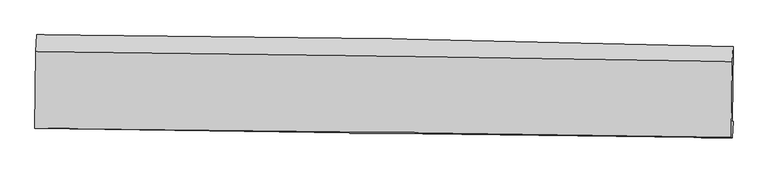
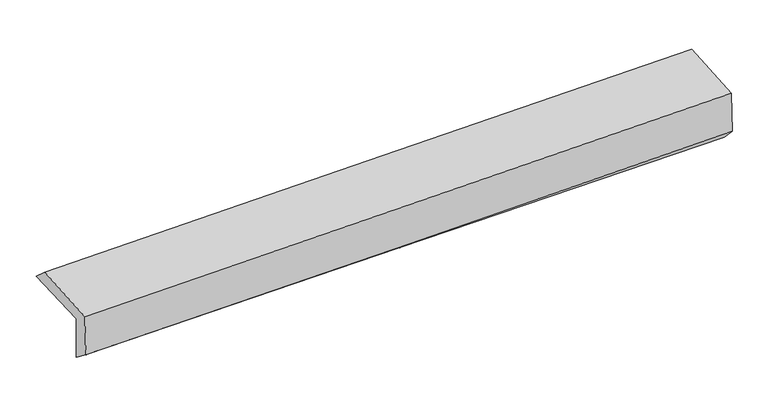
"""IFC4 building model written with IfcOpenShell, lengths in millimetres: proxy geometry."""

from ifc_helpers import new_model, si_unit, frame, origin, place, context, project, spatial, source, transform, mapped, element, save
from ifc_brep_helpers import plane_surface, spline_curve, spline_surface, advanced_brep


def generic_models_236fc765(model_context):
    return source(origin(), model_context, "Body", "AdvancedBrep", [
        advanced_brep(
        [(-3027.3798817, -1759.3884531, 1957.2256654), (-3018.2163539, -1095.4926882, 1977.4437849), (3014.3490963, -1196.0965949, 2116.8390034), (3005.4956444, -1843.3949242, 2093.6649417), (-3017.949627, -1745.398485, 1562.8548659), (3014.6891244, -1846.5543525, 1698.7747596), (-3023.3546085, -1909.8430968, 1691.845991), (3009.1183271, -1989.2510781, 1848.3448336), (-3032.1900314, -1906.7980899, 2071.3617924), (3000.2817875, -1986.205047, 2227.9089996), (-3023.3285861, -1241.4676794, 2105.3809685), (3009.074919, -1325.8691808, 2261.7493926)],
        [
            (0, 1),
            (1, 2, spline_curve(3, [(-3018.2163539, -1095.4926882, 1977.4437849), (-2012.439279104, -1101.072580837, 1992.847668978), (-1006.838923715, -1112.24613094, 2012.165818468), (1004.016229401, -1145.780679081, 2058.630829627), (2009.271023721, -1168.14176426, 2085.777753248), (3014.3490963, -1196.0965949, 2116.8390034)], [4, 2, 4], [0.0, 9.900071177658035, 19.80021995183524])),
            (2, 3),
            (3, 0, spline_curve(3, [(3005.4956444, -1843.3949242, 2093.6649417), (2000.312661264, -1824.122557035, 2061.701150095), (994.979571607, -1807.485817311, 2034.349288124), (-1015.978939316, -1779.483701428, 1988.86960191), (-2021.604358576, -1768.118284384, 1970.741704905), (-3027.3798817, -1759.3884531, 1957.2256654)], [4, 2, 4], [0.0, 9.900148774177204, 19.80021995183524])),
            (4, 0),
            (3, 5),
            (5, 4, spline_curve(3, [(3014.6891244, -1846.5543525, 1698.7747596), (2009.635394043, -1818.691157339, 1666.616283038), (1004.386661696, -1796.329892891, 1639.210361304), (-1006.492924914, -1762.611356651, 1593.903804251), (-2012.123776774, -1751.253998788, 1576.003095141), (-3017.949627, -1745.398485, 1562.8548659)], [4, 2, 4], [0.0, 9.900167523417657, 19.80025745016919])),
            (6, 4),
            (5, 7),
            (7, 6, spline_curve(3, [(3009.1183271, -1989.2510781, 1848.3448336), (2003.751483952, -1977.748958087, 1819.41871942), (998.360014229, -1965.380536908, 1791.914046472), (-1012.464297863, -1938.911196225, 1739.747787766), (-2017.897139942, -1924.81029036, 1715.086179919), (-3023.3546085, -1909.8430968, 1691.845991)], [4, 2, 4], [0.0, 9.900050311111444, 19.800023026475465])),
            (8, 6),
            (7, 9),
            (9, 8, spline_curve(3, [(3000.2817875, -1986.205047, 2227.9089996), (1994.96031674, -1971.371855058, 2199.11019637), (989.591626385, -1957.337990029, 2171.665148545), (-1021.232314021, -1930.869016902, 2119.482767156), (-2026.687563153, -1918.433896155, 2094.7454129), (-3032.1900314, -1906.7980899, 2071.3617924)], [4, 2, 4], [0.0, 9.900023675052264, 19.799969754565872])),
            (10, 8),
            (9, 11),
            (11, 10, spline_curve(3, [(3009.074919, -1325.8691808, 2261.7493926), (2003.786416014, -1308.537622741, 2233.091486149), (998.439902179, -1292.838363927, 2205.73178495), (-1012.361266905, -1264.704555928, 2153.608997518), (-2017.815921571, -1252.269980668, 2128.845890622), (-3023.3285861, -1241.4676794, 2105.3809685)], [4, 2, 4], [0.0, 9.900025052635455, 19.799972509721457])),
            (1, 10),
            (11, 2),
        ],
        [
            spline_surface(3, 3, [[(-3027.3798817, -1759.3884531, 1957.2256654), (-2021.6043585, -1768.118284408, 1970.741704942), (-1015.978939378, -1779.483701509, 1988.869601779), (994.979571669, -1807.48581723, 2034.349288255), (2000.312661259, -1824.122557156, 2061.701150175), (3005.4956444, -1843.3949242, 2093.6649417)], [(-3024.325372447, -1538.089864801, 1963.965038562), (-2018.549332039, -1545.76971651, 1978.110359602), (-1012.932267463, -1557.071178017, 1996.635007282), (997.991790847, -1586.917437791, 2042.443135422), (2003.298782108, -1605.46229282, 2069.726684518), (3008.446795025, -1627.62881443, 2101.389628919)], [(-3021.270863153, -1316.791276499, 1970.704411738), (-2015.494305536, -1323.421148607, 1985.479014276), (-1009.88559549, -1334.658654563, 2004.400412811), (1001.004010083, -1366.349058389, 2050.536982614), (2006.284902982, -1386.802028493, 2077.752218905), (3011.397945675, -1411.86270467, 2109.114316181)], [(-3018.2163539, -1095.4926882, 1977.4437849), (-2012.439279074, -1101.072580709, 1992.847668935), (-1006.838923575, -1112.246131071, 2012.165818314), (1004.016229261, -1145.78067895, 2058.630829781), (2009.27102383, -1168.141764157, 2085.777753248), (3014.3490963, -1196.0965949, 2116.8390034)]], [4, 4], [4, 2, 4], [0.0, 2.181624482303563], [0.0, 9.900071177658035, 19.80021995183524]),
            spline_surface(3, 3, [[(-3017.949627, -1745.398485, 1562.8548659), (-2012.123776774, -1751.253998683, 1576.003095061), (-1006.492925034, -1762.611356647, 1593.903804399), (1004.386661816, -1796.329892895, 1639.210361156), (2009.635393889, -1818.69115744, 1666.616283005), (3014.6891244, -1846.5543525, 1698.7747596)], [(-3021.093045247, -1750.061807669, 1694.311799086), (-2015.283970696, -1756.875427227, 1707.582631708), (-1009.654929803, -1768.235471617, 1725.559070196), (1001.250965113, -1800.048534357, 1770.923336859), (2006.527816333, -1820.501623989, 1798.31123873), (3011.624631054, -1845.50120971, 1830.404820302)], [(-3024.236463453, -1754.725130431, 1825.768732214), (-2018.444164578, -1762.496855864, 1839.162168295), (-1012.816934609, -1773.859586538, 1857.214335982), (998.115268372, -1803.767175769, 1902.636312551), (2003.420238815, -1822.312090607, 1930.00619445), (3008.560137746, -1844.44806699, 1962.034880998)], [(-3027.3798817, -1759.3884531, 1957.2256654), (-2021.6043585, -1768.118284408, 1970.741704942), (-1015.978939378, -1779.483701509, 1988.869601779), (994.979571669, -1807.48581723, 2034.349288255), (2000.312661259, -1824.122557156, 2061.701150175), (3005.4956444, -1843.3949242, 2093.6649417)]], [4, 4], [4, 2, 4], [0.0, 1.2972890751537776], [0.0, 9.900089926751534, 19.80025745016919]),
            spline_surface(3, 3, [[(-3023.3546085, -1909.8430968, 1691.845991), (-2017.897140063, -1924.810290291, 1715.086179845), (-1012.464297943, -1938.911196221, 1739.747787829), (998.360014309, -1965.380536911, 1791.914046409), (2003.751484057, -1977.748958062, 1819.4187193), (3009.1183271, -1989.2510781, 1848.3448336)], [(-3021.552947973, -1855.028226233, 1648.848949277), (-2015.972685607, -1866.958193121, 1668.725151561), (-1010.473840324, -1880.144583012, 1691.133126686), (1000.368896794, -1909.030322222, 1741.012817991), (2005.712787355, -1924.729691206, 1768.484573872), (3010.975259554, -1941.685502919, 1798.488142271)], [(-3019.751287527, -1800.213355567, 1605.851907623), (-2014.04823123, -1809.106095853, 1622.364123345), (-1008.483382654, -1821.377969856, 1642.518465543), (1002.377779331, -1852.680107585, 1690.111589574), (2007.674090591, -1871.710424296, 1717.550428433), (3012.832191946, -1894.119927681, 1748.631450929)], [(-3017.949627, -1745.398485, 1562.8548659), (-2012.123776774, -1751.253998683, 1576.003095061), (-1006.492925034, -1762.611356647, 1593.903804399), (1004.386661816, -1796.329892895, 1639.210361156), (2009.635393889, -1818.69115744, 1666.616283005), (3014.6891244, -1846.5543525, 1698.7747596)]], [4, 4], [4, 2, 4], [0.0, 0.7491200228095815], [0.0, 9.89997271536402, 19.800023026475465]),
            spline_surface(3, 3, [[(-3032.1900314, -1906.7980899, 2071.3617924), (-2026.687563136, -1918.433896279, 2094.745412855), (-1021.232314, -1930.86901689, 2119.482767264), (989.591626363, -1957.337990041, 2171.665148437), (1994.960316882, -1971.371855167, 2199.11019644), (3000.2817875, -1986.205047, 2227.9089996)], [(-3029.244890454, -1907.813092171, 1944.856525272), (-2023.757422132, -1920.559360921, 1968.192335191), (-1018.309641976, -1933.549743346, 1992.904440787), (992.51442235, -1960.01883901, 2045.081447763), (1997.89070593, -1973.497556132, 2072.546370735), (3003.227300689, -1987.2203907, 2101.387610941)], [(-3026.299749446, -1908.828094529, 1818.351258128), (-2020.827281067, -1922.68482565, 1841.63925751), (-1015.386969967, -1936.230469766, 1866.326114306), (995.437218323, -1962.699687943, 1918.497747084), (2000.821095009, -1975.623257097, 1945.982545006), (3006.172813911, -1988.2357344, 1974.866222259)], [(-3023.3546085, -1909.8430968, 1691.845991), (-2017.897140063, -1924.810290291, 1715.086179845), (-1012.464297943, -1938.911196221, 1739.747787829), (998.360014309, -1965.380536911, 1791.914046409), (2003.751484057, -1977.748958062, 1819.4187193), (3009.1183271, -1989.2510781, 1848.3448336)]], [4, 4], [4, 2, 4], [0.0, 1.246487485381605], [0.0, 9.899946079513608, 19.799969754565872]),
            spline_surface(3, 3, [[(-3023.3285861, -1241.4676794, 2105.3809685), (-2017.81592158, -1252.269980712, 2128.845890505), (-1012.361267004, -1264.704555817, 2153.608997397), (998.439902278, -1292.838364039, 2205.731785071), (2003.786416057, -1308.537622714, 2233.09148623), (3009.074919, -1325.8691808, 2261.7493926)], [(-3026.282401202, -1463.244482917, 2094.041243131), (-2020.773135434, -1474.324619251, 2117.47906462), (-1015.318282651, -1486.759376155, 2142.233587358), (995.490476991, -1514.338239353, 2194.376239532), (2000.84438298, -1529.482366854, 2221.764389633), (3006.143875148, -1545.981136188, 2250.4692616)], [(-3029.236216298, -1685.021286383, 2082.701517769), (-2023.730349282, -1696.379257739, 2106.112238741), (-1018.275298352, -1708.814196552, 2130.858177303), (992.54105165, -1735.838114727, 2183.020693976), (1997.902349959, -1750.427111028, 2210.437293037), (3003.212831352, -1766.093091612, 2239.1891306)], [(-3032.1900314, -1906.7980899, 2071.3617924), (-2026.687563136, -1918.433896279, 2094.745412855), (-1021.232314, -1930.86901689, 2119.482767264), (989.591626363, -1957.337990041, 2171.665148437), (1994.960316882, -1971.371855167, 2199.11019644), (3000.2817875, -1986.205047, 2227.9089996)]], [4, 4], [4, 2, 4], [0.0, 2.1859056645932804], [0.0, 9.899947457086002, 19.799972509721457]),
            spline_surface(3, 3, [[(-3018.2163539, -1095.4926882, 1977.4437849), (-2012.439279074, -1101.072580709, 1992.847668935), (-1006.838923575, -1112.246131071, 2012.165818314), (1004.016229261, -1145.78067895, 2058.630829781), (2009.27102383, -1168.141764157, 2085.777753248), (3014.3490963, -1196.0965949, 2116.8390034)], [(-3019.920431277, -1144.151018609, 2020.089512771), (-2014.23149322, -1151.471714052, 2038.180409463), (-1008.679704717, -1163.065606007, 2059.313544672), (1002.157453602, -1194.799907334, 2107.664481542), (2007.442821269, -1214.940383696, 2134.88233091), (3012.59103723, -1239.354123553, 2165.142466468)], [(-3021.624508723, -1192.809348991, 2062.735240629), (-2016.023707434, -1201.870847368, 2083.513149978), (-1010.520485862, -1213.88508088, 2106.461271038), (1000.298677938, -1243.819135655, 2156.69813331), (2005.614618619, -1261.739003175, 2183.986908568), (3010.83297807, -1282.611652147, 2213.445929532)], [(-3023.3285861, -1241.4676794, 2105.3809685), (-2017.81592158, -1252.269980712, 2128.845890505), (-1012.361267004, -1264.704555817, 2153.608997397), (998.439902278, -1292.838364039, 2205.731785071), (2003.786416057, -1308.537622714, 2233.09148623), (3009.074919, -1325.8691808, 2261.7493926)]], [4, 4], [4, 2, 4], [0.0, 0.6824833051325307], [0.0, 9.90000180273956, 19.80008120145453]),
            plane_surface(frame((3008.8348164, -1697.8951962, 2041.2136551), z_axis=(0.999621154580309, -0.014509695131259217, 0.023388374520862832), x_axis=(0.023273697467301308, -0.008022643449044914, -0.9996969401765168))),
            plane_surface(frame((-3023.7365148, -1609.7314154, 1894.352178), z_axis=(-0.9996211545802951, 0.014509695132299704, -0.023388374520806967), x_axis=(-0.013794951518873892, -0.9994414959018852, -0.0304367472308393))),
        ],
        [
            (0, [[1, 2, 3, 4]]),
            (1, [[5, -4, 6, 7]]),
            (2, [[8, -7, 9, 10]]),
            (3, [[11, -10, 12, 13]]),
            (4, [[14, -13, 15, 16]]),
            (5, [[17, -16, 18, -2]]),
            (6, [[-12, -9, -6, -3, -18, -15]]),
            (7, [[-1, -5, -8, -11, -14, -17]]),
        ],
    ),
    ])


if __name__ == "__main__":
    model = new_model("IFC4")
    model_context = context("Model", 3, world=origin())
    ifc_project = project(units=[si_unit("LENGTHUNIT", "METRE", prefix="MILLI")], contexts=[model_context])
    site = spatial("IfcSite", under=ifc_project)
    building = spatial("IfcBuilding", under=site)
    placement = place(None, origin())
    generic_models_shape = generic_models_236fc765(model_context)
    element("IfcBuildingElementProxy", 1, Name="Generic Models", at=placement, inside=building, context=model_context, shape_type="MappedRepresentation", body=[
        mapped(generic_models_shape, transform((0.0, 0.0, 0.0), x_axis=(1.0, 0.0, 0.0), y_axis=(0.0, 1.0, 0.0), z_axis=(0.0, 0.0, 1.0))),
    ])
    save(model, "model.ifc")
